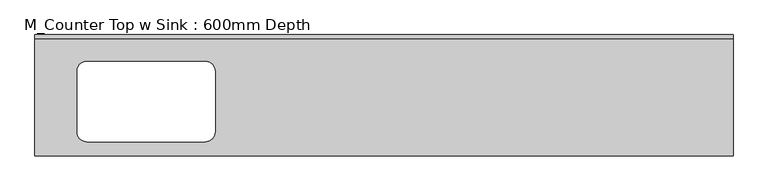
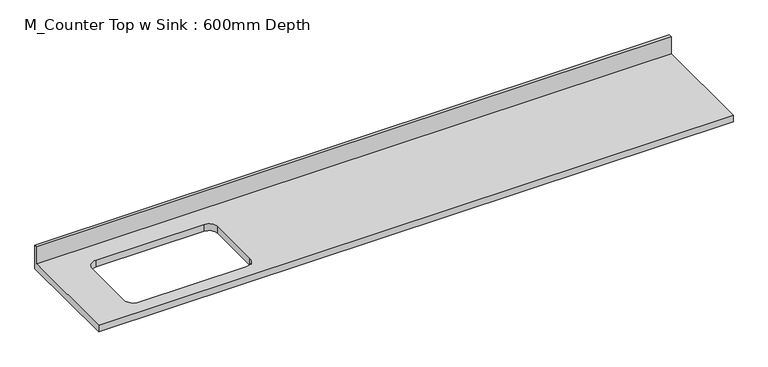
"""IFC4 building model written with IfcOpenShell, lengths in millimetres: furniture geometry, M_Counter Top w Sink : 600mm Depth."""

from ifc_helpers import new_model, si_unit, frame, origin, place, context, project, spatial, polyline, circle_curve, source, transform, mapped, element, save
from ifc_brep_helpers import plane_surface, revolved_surface, advanced_brep


def m_counter_top_w_sink_600mm_depth_1873e096(model_context):
    return source(origin(), model_context, "Body", "AdvancedBrep", [
        advanced_brep(
        [(-1200.4622951, -625.0, 900.0), (2399.5377049, -625.0, 900.0), (2399.5377049, -19.05, 900.0), (-1200.4622951, -19.05, 900.0), (-932.498825, -137.3, 900.0), (-322.2398632, -137.3, 900.0), (-271.4398632, -188.1, 900.0), (-271.4398632, -501.9, 900.0), (-322.2398632, -552.7, 900.0), (-932.498825, -552.7, 900.0), (-983.298825, -501.9, 900.0), (-983.298825, -188.1, 900.0), (2399.5377049, 0.0, 860.0), (2399.5377049, -625.0, 860.0), (-1200.4622951, -625.0, 860.0), (-1200.4622951, 0.0, 860.0), (-322.2398632, -137.3, 860.0), (-932.498825, -137.3, 860.0), (-983.298825, -188.1, 860.0), (-983.298825, -501.9, 860.0), (-932.498825, -552.7, 860.0), (-322.2398632, -552.7, 860.0), (-271.4398632, -501.9, 860.0), (-271.4398632, -188.1, 860.0), (-1200.4622951, 0.0, 1001.6), (2399.5377049, 0.0, 1001.6), (-1200.4622951, -19.05, 1001.6), (2399.5377049, -19.05, 1001.6)],
        [
            (0, 1),
            (1, 2),
            (2, 3),
            (3, 0),
            (4, 5),
            (5, 6, circle_curve(frame((-322.2398632, -188.1, 900.0), z_axis=(0.0, 0.0, -1.0), x_axis=(1.0, 0.0, 0.0)), 50.8)),
            (6, 7),
            (7, 8, circle_curve(frame((-322.2398632, -501.9, 900.0), z_axis=(0.0, 0.0, -1.0), x_axis=(1.0, 0.0, 0.0)), 50.8)),
            (8, 9),
            (9, 10, circle_curve(frame((-932.498825, -501.9, 900.0), z_axis=(0.0, 0.0, -1.0), x_axis=(1.0, 0.0, 0.0)), 50.8)),
            (10, 11),
            (11, 4, circle_curve(frame((-932.498825, -188.1, 900.0), z_axis=(0.0, 0.0, -1.0), x_axis=(1.0, 0.0, 0.0)), 50.8)),
            (12, 13),
            (13, 14),
            (14, 15),
            (15, 12),
            (16, 17),
            (17, 18, circle_curve(frame((-932.498825, -188.1, 860.0), z_axis=(0.0, 0.0, 1.0), x_axis=(1.0, 0.0, 0.0)), 50.8)),
            (18, 19),
            (19, 20, circle_curve(frame((-932.498825, -501.9, 860.0), z_axis=(0.0, 0.0, 1.0), x_axis=(1.0, 0.0, 0.0)), 50.8)),
            (20, 21),
            (21, 22, circle_curve(frame((-322.2398632, -501.9, 860.0), z_axis=(0.0, 0.0, 1.0), x_axis=(1.0, 0.0, 0.0)), 50.8)),
            (22, 23),
            (23, 16, circle_curve(frame((-322.2398632, -188.1, 860.0), z_axis=(0.0, 0.0, 1.0), x_axis=(1.0, 0.0, 0.0)), 50.8)),
            (15, 24),
            (24, 25),
            (25, 12),
            (14, 0),
            (3, 26),
            (26, 24),
            (13, 1),
            (25, 27),
            (27, 2),
            (26, 27),
            (4, 17),
            (16, 5),
            (11, 18),
            (10, 19),
            (9, 20),
            (8, 21),
            (7, 22),
            (6, 23),
        ],
        [
            plane_surface(frame((-1200.4622951, 0.0, 900.0), z_axis=(0.0, 0.0, 1.0), x_axis=(-1.0, 0.0, 0.0))),
            plane_surface(frame((-1200.4622951, 0.0, 860.0), z_axis=(0.0, 0.0, -1.0), x_axis=(1.0, 0.0, 0.0))),
            plane_surface(frame((2399.5377049, 0.0, 900.0), z_axis=(0.0, 1.0, 0.0), x_axis=(0.0, 0.0, -1.0))),
            plane_surface(frame((-1200.4622951, 0.0, 900.0), z_axis=(-1.0, 0.0, 0.0), x_axis=(0.0, 0.0, -1.0))),
            plane_surface(frame((-1200.4622951, -625.0, 900.0), z_axis=(0.0, -1.0, 0.0), x_axis=(0.0, 0.0, -1.0))),
            plane_surface(frame((2399.5377049, -625.0, 900.0), z_axis=(1.0, 0.0, 0.0), x_axis=(0.0, 0.0, -1.0))),
            plane_surface(frame((-1200.4622951, 0.0, 1001.6), z_axis=(0.0, 0.0, 1.0), x_axis=(0.0, -1.0, 0.0))),
            plane_surface(frame((-1200.4622951, -19.05, 1001.6), z_axis=(0.0, -1.0, 0.0), x_axis=(0.0, 0.0, -1.0))),
            plane_surface(frame((-322.2398632, -137.3, 900.0), z_axis=(0.0, -1.0, 0.0), x_axis=(0.0, 0.0, -1.0))),
            revolved_surface(polyline([(-881.698825, -188.1, 900.0), (-881.698825, -188.1, 860.0)]), (-932.498825, -188.1, 860.0), (0.0, 0.0, 1.0)),
            plane_surface(frame((-983.298825, -188.1, 900.0), z_axis=(1.0, 0.0, 0.0), x_axis=(0.0, 0.0, -1.0))),
            revolved_surface(polyline([(-881.698825, -501.9, 900.0), (-881.698825, -501.9, 860.0)]), (-932.498825, -501.9, 860.0), (0.0, 0.0, 1.0)),
            plane_surface(frame((-932.498825, -552.7, 900.0), z_axis=(0.0, 1.0, 0.0), x_axis=(0.0, 0.0, -1.0))),
            revolved_surface(polyline([(-271.4398632, -501.9, 900.0), (-271.4398632, -501.9, 860.0)]), (-322.2398632, -501.9, 860.0), (0.0, 0.0, 1.0)),
            plane_surface(frame((-271.4398632, -501.9, 900.0), z_axis=(-1.0, 0.0, 0.0), x_axis=(0.0, 0.0, -1.0))),
            revolved_surface(polyline([(-271.4398632, -188.1, 900.0), (-271.4398632, -188.1, 860.0)]), (-322.2398632, -188.1, 860.0), (0.0, 0.0, 1.0)),
        ],
        [
            (0, [[1, 2, 3, 4], [5, 6, 7, 8, 9, 10, 11, 12]]),
            (1, [[13, 14, 15, 16], [17, 18, 19, 20, 21, 22, 23, 24]]),
            (2, [[-16, 25, 26, 27]]),
            (3, [[-15, 28, -4, 29, 30, -25]]),
            (4, [[-1, -28, -14, 31]]),
            (5, [[-13, -27, 32, 33, -2, -31]]),
            (6, [[-30, 34, -32, -26]]),
            (7, [[-34, -29, -3, -33]]),
            (8, [[35, -17, 36, -5]]),
            (9, [[-35, -12, 37, -18]]),
            (10, [[-37, -11, 38, -19]]),
            (11, [[-38, -10, 39, -20]]),
            (12, [[-39, -9, 40, -21]]),
            (13, [[-40, -8, 41, -22]]),
            (14, [[-41, -7, 42, -23]]),
            (15, [[-36, -24, -42, -6]]),
        ],
    ),
    ])


if __name__ == "__main__":
    model = new_model("IFC4")
    model_context = context("Model", 3, world=origin())
    ifc_project = project(units=[si_unit("LENGTHUNIT", "METRE", prefix="MILLI")], contexts=[model_context])
    site = spatial("IfcSite", under=ifc_project)
    building = spatial("IfcBuilding", under=site)
    placement = place(None, origin())
    m_counter_top_w_sink_600mm_depth_shape = m_counter_top_w_sink_600mm_depth_1873e096(model_context)
    element("IfcFurniture", 1, ObjectType="M_Counter Top w Sink : 600mm Depth", at=placement, inside=building, context=model_context, shape_type="MappedRepresentation", body=[
        mapped(m_counter_top_w_sink_600mm_depth_shape, transform((0.0, 0.0, 0.0), x_axis=(1.0, 0.0, 0.0), y_axis=(0.0, 1.0, 0.0), z_axis=(0.0, 0.0, 1.0))),
    ])
    save(model, "model.ifc")
